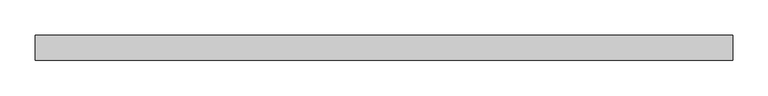
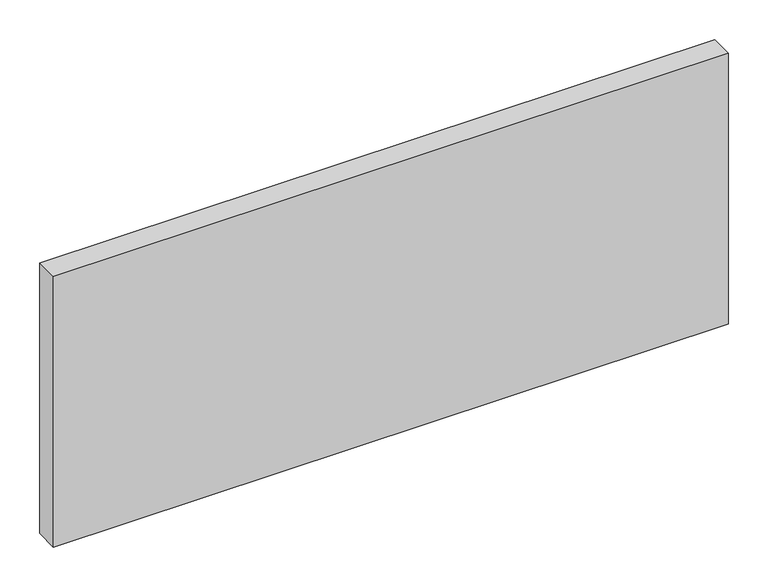
"""IFC4 building model written with IfcOpenShell, lengths in millimetres: plate geometry."""

from ifc_helpers import new_model, si_unit, origin, origin_with_axes, place, context, project, spatial, polyline, outline, extrude, source, transform, mapped, element, save


def plate_36c55cc7(model_context):
    return source(origin(), model_context, "Body", "SweptSolid", [
        extrude(outline(polyline([(492.46875, -17.5), (-492.46875, -17.5), (-492.46875, 17.5), (492.46875, 17.5), (492.46875, -17.5)])), origin_with_axes(), (0.0, 0.0, 1.0), 417.625),
    ])


if __name__ == "__main__":
    model = new_model("IFC4")
    model_context = context("Model", 3, world=origin())
    ifc_project = project(units=[si_unit("LENGTHUNIT", "METRE", prefix="MILLI")], contexts=[model_context])
    site = spatial("IfcSite", under=ifc_project)
    building = spatial("IfcBuilding", under=site)
    placement = place(None, origin())
    plate_shape = plate_36c55cc7(model_context)
    element("IfcPlate", 1, at=placement, inside=building, context=model_context, shape_type="MappedRepresentation", body=[
        mapped(plate_shape, transform((0.0, 0.0, 0.0), x_axis=(1.0, 0.0, 0.0), y_axis=(0.0, 1.0, 0.0), z_axis=(0.0, 0.0, 1.0))),
    ])
    save(model, "model.ifc")
